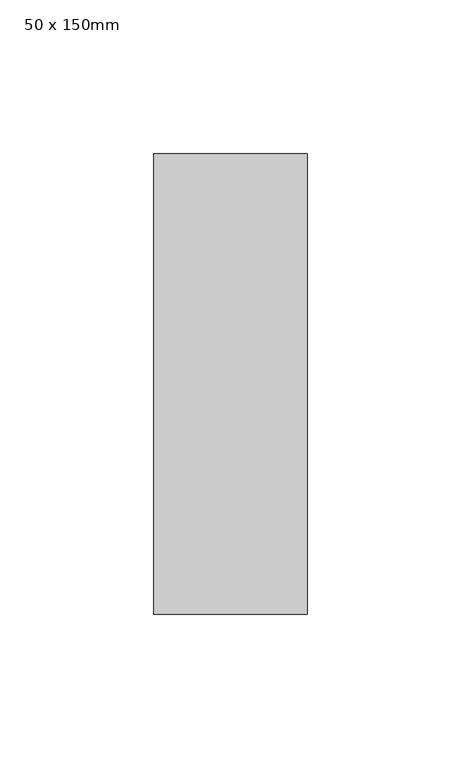
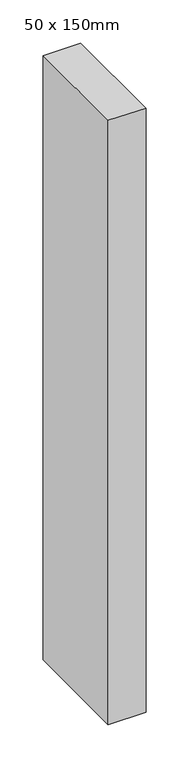
"""IFC4 building model written with IfcOpenShell, lengths in millimetres: member geometry, 50 x 150mm."""

from ifc_helpers import new_model, si_unit, frame, origin, place, context, project, spatial, polyline, outline, extrude, source, transform, mapped, element, save


def member_50_x_150mm_f478ca5a(model_context):
    return source(origin(), model_context, "Body", "SweptSolid", [
        extrude(outline(polyline([(25.0, 75.0), (25.0, -75.0), (-25.0, -75.0), (-25.0, 75.0), (25.0, 75.0)])), frame((0.0, 0.0, -850.0), z_axis=(0.0, 0.0, 1.0), x_axis=(1.0, 0.0, 0.0)), (0.0, 0.0, 1.0), 850.0),
    ])


if __name__ == "__main__":
    model = new_model("IFC4")
    model_context = context("Model", 3, world=origin())
    ifc_project = project(units=[si_unit("LENGTHUNIT", "METRE", prefix="MILLI")], contexts=[model_context])
    site = spatial("IfcSite", under=ifc_project)
    building = spatial("IfcBuilding", under=site)
    placement = place(None, origin())
    member_50_x_150mm_shape = member_50_x_150mm_f478ca5a(model_context)
    element("IfcMember", 1, ObjectType="50 x 150mm", at=placement, inside=building, context=model_context, shape_type="MappedRepresentation", body=[
        mapped(member_50_x_150mm_shape, transform((0.0, 0.0, 0.0), x_axis=(1.0, 0.0, 0.0), y_axis=(0.0, 1.0, 0.0), z_axis=(0.0, 0.0, 1.0))),
    ])
    save(model, "model.ifc")
